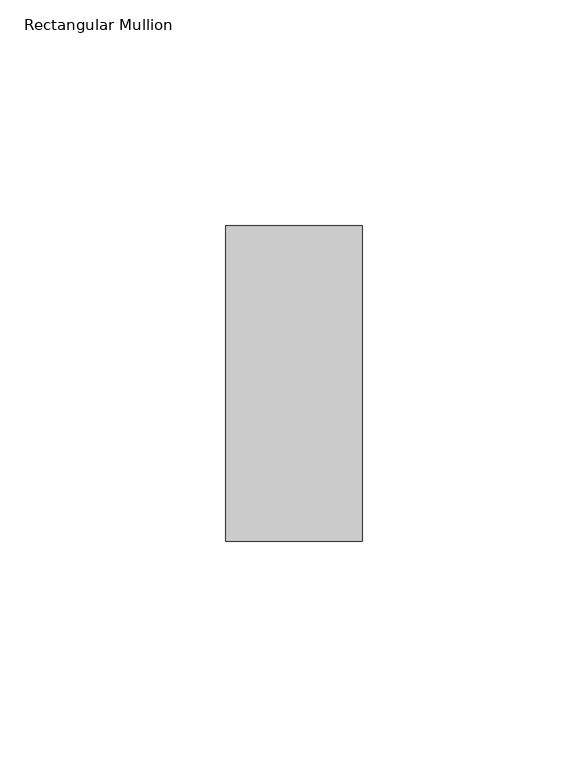
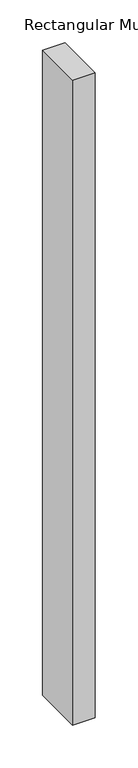
"""IFC4 building model written with IfcOpenShell, lengths in millimetres: member geometry, Rectangular Mullion."""

from ifc_helpers import new_model, si_unit, frame, origin, place, context, project, spatial, polyline, outline, extrude, source, transform, mapped, element, save


def rectangular_mullion_b7290686(model_context):
    return source(origin(), model_context, "Body", "SweptSolid", [
        extrude(outline(polyline([(0.0, 34.925), (0.0, -34.925), (-30.1625, -34.925), (-30.1625, 34.925), (0.0, 34.925)])), frame((0.0, 0.0, -917.575), z_axis=(0.0, 0.0, 1.0), x_axis=(1.0, 0.0, 0.0)), (0.0, 0.0, 1.0), 917.575),
    ])


if __name__ == "__main__":
    model = new_model("IFC4")
    model_context = context("Model", 3, world=origin())
    ifc_project = project(units=[si_unit("LENGTHUNIT", "METRE", prefix="MILLI")], contexts=[model_context])
    site = spatial("IfcSite", under=ifc_project)
    building = spatial("IfcBuilding", under=site)
    placement = place(None, origin())
    rectangular_mullion_shape = rectangular_mullion_b7290686(model_context)
    element("IfcMember", 1, ObjectType="Rectangular Mullion", at=placement, inside=building, context=model_context, shape_type="MappedRepresentation", body=[
        mapped(rectangular_mullion_shape, transform((0.0, 0.0, 0.0), x_axis=(1.0, 0.0, 0.0), y_axis=(0.0, 1.0, 0.0), z_axis=(0.0, 0.0, 1.0))),
    ])
    save(model, "model.ifc")
